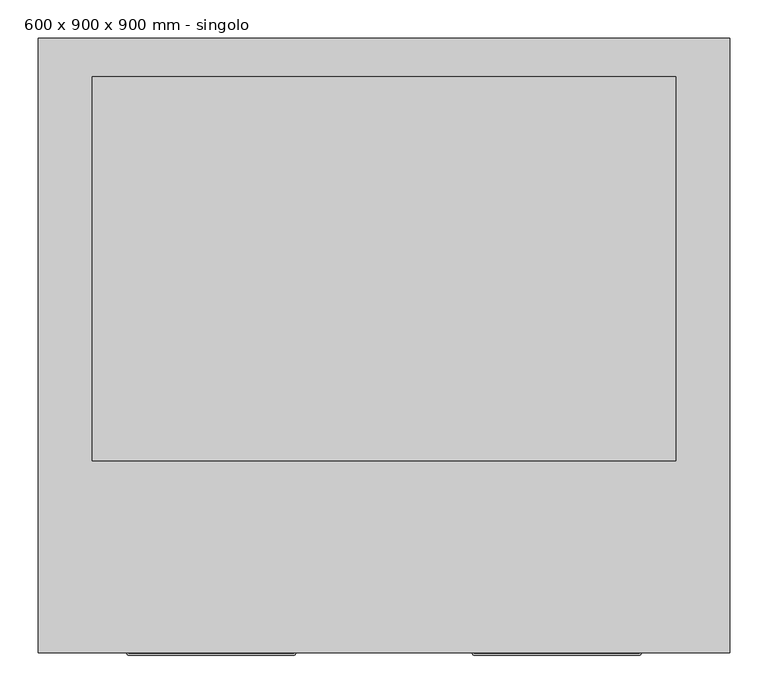
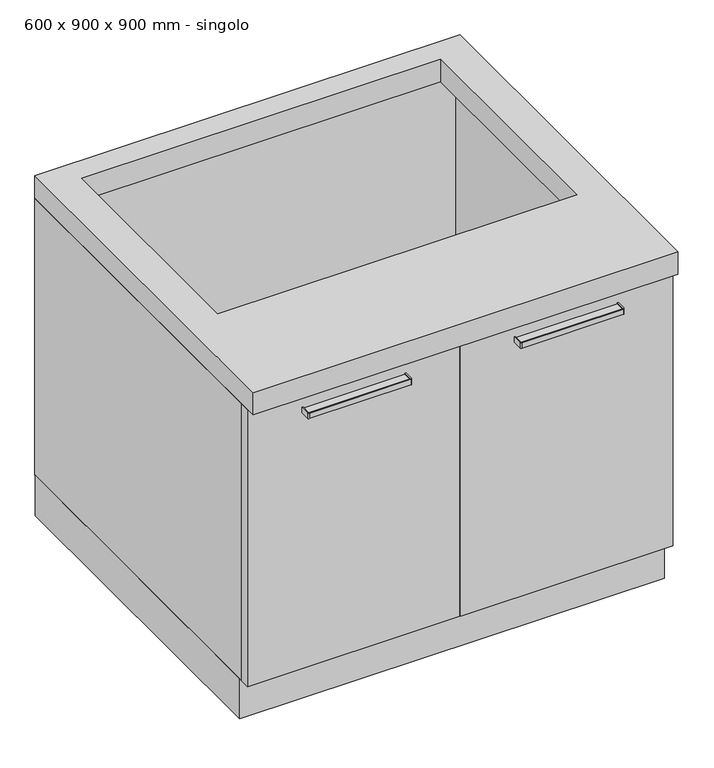
"""IFC4 building model written with IfcOpenShell, lengths in millimetres: furniture geometry, 600 x 900 x 900 mm - singolo."""

from ifc_helpers import new_model, si_unit, point, frame, frame_2d, origin, origin_with_axes, place, context, project, spatial, polyline, circle_curve, trimmed, segment, composite_curve, outline, extrude, source, transform, mapped, element, save


def furniture_600_x_900_x_900_mm_singolo_0301ceaf(model_context):
    return source(origin(), model_context, "Body", "SweptSolid", [
        extrude(outline(composite_curve([segment(polyline([(161.7003264, -780.0), (377.7003264, -780.0), (377.7003264, -800.5)]), True, "CONTINUOUS"), segment(trimmed(circle_curve(frame_2d((377.2003264, -800.5)), 0.5), [point((377.7003264, -800.5))], [point((377.2003264, -801.0))], False, "CARTESIAN"), True, "CONTINUOUS"), segment(polyline([(377.2003264, -801.0), (162.2003264, -801.0)]), True, "CONTINUOUS"), segment(trimmed(circle_curve(frame_2d((162.2003264, -800.5)), 0.5), [point((162.2003264, -801.0))], [point((161.7003264, -800.5))], False, "CARTESIAN"), True, "CONTINUOUS"), segment(polyline([(161.7003264, -800.5), (161.7003264, -780.0)]), True, "CONTINUOUS")], self_intersect=False)), frame((0.0, 0.0, 665.493389), z_axis=(0.0, 0.0, 1.0), x_axis=(1.0, 0.0, 0.0)), (0.0, 0.0, 1.0), 6.4890959),
        extrude(outline(composite_curve([segment(polyline([(159.7003264, -780.0), (161.7003264, -780.0), (161.7003264, -800.5)]), True, "CONTINUOUS"), segment(trimmed(circle_curve(frame_2d((162.2003264, -800.5)), 0.5), [point((161.7003264, -800.5))], [point((162.2003264, -801.0))], True, "CARTESIAN"), True, "CONTINUOUS"), segment(polyline([(162.2003264, -801.0), (377.2003264, -801.0)]), True, "CONTINUOUS"), segment(trimmed(circle_curve(frame_2d((377.2003264, -800.5)), 0.5), [point((377.2003264, -801.0))], [point((377.7003264, -800.5))], True, "CARTESIAN"), True, "CONTINUOUS"), segment(polyline([(377.7003264, -800.5), (377.7003264, -780.0), (379.7003264, -780.0), (379.7003264, -800.5)]), True, "CONTINUOUS"), segment(trimmed(circle_curve(frame_2d((377.2003264, -800.5)), 2.5), [point((379.7003264, -800.5))], [point((377.2003264, -803.0))], False, "CARTESIAN"), True, "CONTINUOUS"), segment(polyline([(377.2003264, -803.0), (162.2003264, -803.0)]), True, "CONTINUOUS"), segment(trimmed(circle_curve(frame_2d((162.2003264, -800.5)), 2.5), [point((162.2003264, -803.0))], [point((159.7003264, -800.5))], False, "CARTESIAN"), True, "CONTINUOUS"), segment(polyline([(159.7003264, -800.5), (159.7003264, -780.0)]), True, "CONTINUOUS")], self_intersect=False)), frame((0.0, 0.0, 662.728), z_axis=(0.0, 0.0, 1.0), x_axis=(1.0, 0.0, 0.0)), (0.0, 0.0, 1.0), 12.0),
        extrude(outline(composite_curve([segment(polyline([(-288.2996736, -780.0), (-72.2996736, -780.0), (-72.2996736, -800.5)]), True, "CONTINUOUS"), segment(trimmed(circle_curve(frame_2d((-72.7996736, -800.5)), 0.5), [point((-72.2996736, -800.5))], [point((-72.7996736, -801.0))], False, "CARTESIAN"), True, "CONTINUOUS"), segment(polyline([(-72.7996736, -801.0), (-287.7996736, -801.0)]), True, "CONTINUOUS"), segment(trimmed(circle_curve(frame_2d((-287.7996736, -800.5)), 0.5), [point((-287.7996736, -801.0))], [point((-288.2996736, -800.5))], False, "CARTESIAN"), True, "CONTINUOUS"), segment(polyline([(-288.2996736, -800.5), (-288.2996736, -780.0)]), True, "CONTINUOUS")], self_intersect=False)), frame((0.0, 0.0, 665.493389), z_axis=(0.0, 0.0, 1.0), x_axis=(1.0, 0.0, 0.0)), (0.0, 0.0, 1.0), 6.4890959),
        extrude(outline(composite_curve([segment(polyline([(-290.2996736, -780.0), (-288.2996736, -780.0), (-288.2996736, -800.5)]), True, "CONTINUOUS"), segment(trimmed(circle_curve(frame_2d((-287.7996736, -800.5)), 0.5), [point((-288.2996736, -800.5))], [point((-287.7996736, -801.0))], True, "CARTESIAN"), True, "CONTINUOUS"), segment(polyline([(-287.7996736, -801.0), (-72.7996736, -801.0)]), True, "CONTINUOUS"), segment(trimmed(circle_curve(frame_2d((-72.7996736, -800.5)), 0.5), [point((-72.7996736, -801.0))], [point((-72.2996736, -800.5))], True, "CARTESIAN"), True, "CONTINUOUS"), segment(polyline([(-72.2996736, -800.5), (-72.2996736, -780.0), (-70.2996736, -780.0), (-70.2996736, -800.5)]), True, "CONTINUOUS"), segment(trimmed(circle_curve(frame_2d((-72.7996736, -800.5)), 2.5), [point((-70.2996736, -800.5))], [point((-72.7996736, -803.0))], False, "CARTESIAN"), True, "CONTINUOUS"), segment(polyline([(-72.7996736, -803.0), (-287.7996736, -803.0)]), True, "CONTINUOUS"), segment(trimmed(circle_curve(frame_2d((-287.7996736, -800.5)), 2.5), [point((-287.7996736, -803.0))], [point((-290.2996736, -800.5))], False, "CARTESIAN"), True, "CONTINUOUS"), segment(polyline([(-290.2996736, -800.5), (-290.2996736, -780.0)]), True, "CONTINUOUS")], self_intersect=False)), frame((0.0, 0.0, 662.728), z_axis=(0.0, 0.0, 1.0), x_axis=(1.0, 0.0, 0.0)), (0.0, 0.0, 1.0), 12.0),
        extrude(outline(polyline([(494.7003264, -0.533703), (494.7003264, -750.533703), (-405.2996736, -750.533703), (-405.2996736, -0.533703), (494.7003264, -0.533703)])), origin_with_axes(), (0.0, 0.0, 1.0), 90.0),
        extrude(outline(polyline([(494.7003264, 0.0), (494.7003264, -800.0), (-405.2996736, -800.0), (-405.2996736, 0.0), (494.7003264, 0.0)]), holes=[polyline([(424.7003264, -49.8), (-335.2996736, -49.8), (-335.2996736, -549.8), (424.7003264, -549.8), (424.7003264, -49.8)])]), frame((0.0, 0.0, 710.0), z_axis=(0.0, 0.0, 1.0), x_axis=(1.0, 0.0, 0.0)), (0.0, 0.0, 1.0), 50.0),
        extrude(outline(polyline([(43.7003264, -780.0), (-405.2996736, -780.0), (-405.2996736, -758.0), (43.7003264, -758.0), (43.7003264, -780.0)])), frame((0.0, 0.0, 90.0), z_axis=(0.0, 0.0, 1.0), x_axis=(1.0, 0.0, 0.0)), (0.0, 0.0, 1.0), 620.0),
        extrude(outline(polyline([(45.7003264, -780.0), (45.7003264, -758.0), (494.7003264, -758.0), (494.7003264, -780.0), (45.7003264, -780.0)])), frame((0.0, 0.0, 90.0), z_axis=(0.0, 0.0, 1.0), x_axis=(1.0, 0.0, 0.0)), (0.0, 0.0, 1.0), 620.0),
        extrude(outline(polyline([(494.7003264, 0.0), (494.7003264, -758.0), (472.7003264, -758.0), (472.7003264, -22.0), (-383.2996736, -22.0), (-383.2996736, -758.0), (-405.2996736, -758.0), (-405.2996736, 0.0), (494.7003264, 0.0)])), frame((0.0, 0.0, 90.0), z_axis=(0.0, 0.0, 1.0), x_axis=(1.0, 0.0, 0.0)), (0.0, 0.0, 1.0), 620.0),
    ])


if __name__ == "__main__":
    model = new_model("IFC4")
    model_context = context("Model", 3, world=origin())
    ifc_project = project(units=[si_unit("LENGTHUNIT", "METRE", prefix="MILLI")], contexts=[model_context])
    site = spatial("IfcSite", under=ifc_project)
    building = spatial("IfcBuilding", under=site)
    placement = place(None, origin())
    furniture_600_x_900_x_900_mm_singolo_shape = furniture_600_x_900_x_900_mm_singolo_0301ceaf(model_context)
    element("IfcFurniture", 1, ObjectType="600 x 900 x 900 mm - singolo", at=placement, inside=building, context=model_context, shape_type="MappedRepresentation", body=[
        mapped(furniture_600_x_900_x_900_mm_singolo_shape, transform((0.0, 0.0, 0.0), x_axis=(1.0, 0.0, 0.0), y_axis=(0.0, 1.0, 0.0), z_axis=(0.0, 0.0, 1.0))),
    ])
    save(model, "model.ifc")
